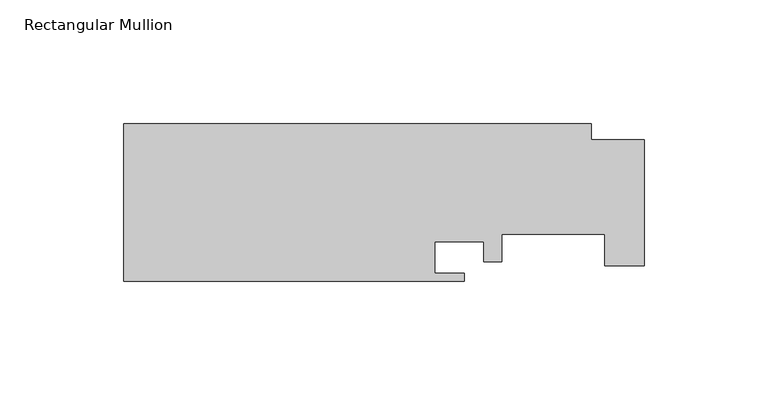
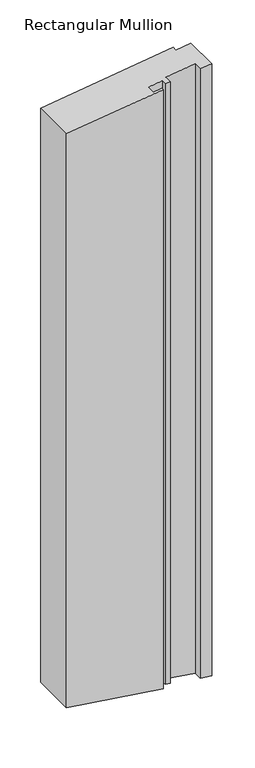
"""IFC4 building model written with IfcOpenShell, lengths in millimetres: member geometry, Rectangular Mullion."""

from ifc_helpers import new_model, si_unit, origin, place, context, project, spatial, faceted_brep, source, transform, mapped, element, save


def rectangular_mullion_273ff321(model_context):
    return source(origin(), model_context, "Body", "Brep", [
        faceted_brep([(-189.3014375, -19.05, -25.2205762), (-189.3014375, 44.45, -25.2205762), (-189.3014375, 44.45, -887.795418), (-189.3014375, -19.05, -887.795418), (-51.9636375, -19.05, -6.9231005), (-51.9636375, -19.05, -907.096987), (-51.9636375, -15.875, -6.9231005), (-51.9636375, -15.875, -907.096987), (-63.8762375, -15.875, -8.5102128), (-63.8762375, -15.875, -905.4227803), (-63.8762375, -3.175, -8.5102128), (-63.8762375, -3.175, -905.4227803), (-44.0642375, -3.175, -5.8706657), (-44.0642375, -3.175, -908.2071753), (-44.0642375, -11.1252, -5.8706657), (-44.0642375, -11.1252, -908.2071753), (-36.9014375, -11.1252, -4.9163679), (-36.9014375, -11.1252, -909.2138412), (-36.9014375, 0.0, -4.9163679), (-36.9014375, 0.0, -909.2138412), (4.7545625, 0.0, 0.633449), (4.7545625, 0.0, -915.0682102), (4.7545625, -12.7, 0.633449), (4.7545625, -12.7, -915.0682102), (20.6295625, -12.7, 2.7484707), (20.6295625, -12.7, -917.2992959), (20.6295625, 38.1, 2.7484707), (20.6295625, 38.1, -917.2992959), (-0.6556375, 38.1, -0.0873504), (-0.6556375, 38.1, -914.3078562), (-0.6556375, 44.45, -0.0873504), (-0.6556375, 44.45, -914.3078562)], [[[0, 1, 2, 3]], [[4, 0, 3, 5]], [[6, 4, 5, 7]], [[8, 6, 7, 9]], [[10, 8, 9, 11]], [[12, 10, 11, 13]], [[14, 12, 13, 15]], [[16, 14, 15, 17]], [[18, 16, 17, 19]], [[20, 18, 19, 21]], [[22, 20, 21, 23]], [[24, 22, 23, 25]], [[26, 24, 25, 27]], [[28, 26, 27, 29]], [[30, 28, 29, 31]], [[1, 30, 31, 2]], [[0, 4, 6, 8, 10, 12, 14, 16, 18, 20, 22, 24, 26, 28, 30, 1]], [[3, 2, 31, 29, 27, 25, 23, 21, 19, 17, 15, 13, 11, 9, 7, 5]]]),
    ])


if __name__ == "__main__":
    model = new_model("IFC4")
    model_context = context("Model", 3, world=origin())
    ifc_project = project(units=[si_unit("LENGTHUNIT", "METRE", prefix="MILLI")], contexts=[model_context])
    site = spatial("IfcSite", under=ifc_project)
    building = spatial("IfcBuilding", under=site)
    placement = place(None, origin())
    rectangular_mullion_shape = rectangular_mullion_273ff321(model_context)
    element("IfcMember", 1, ObjectType="Rectangular Mullion", at=placement, inside=building, context=model_context, shape_type="MappedRepresentation", body=[
        mapped(rectangular_mullion_shape, transform((0.0, 0.0, 0.0), x_axis=(1.0, 0.0, 0.0), y_axis=(0.0, 1.0, 0.0), z_axis=(0.0, 0.0, 1.0))),
    ])
    save(model, "model.ifc")
